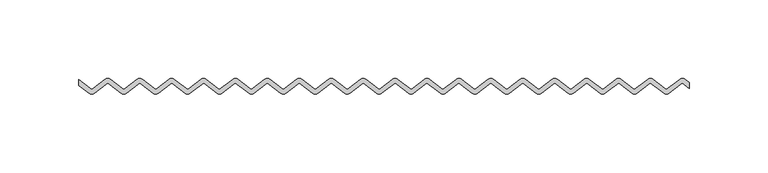
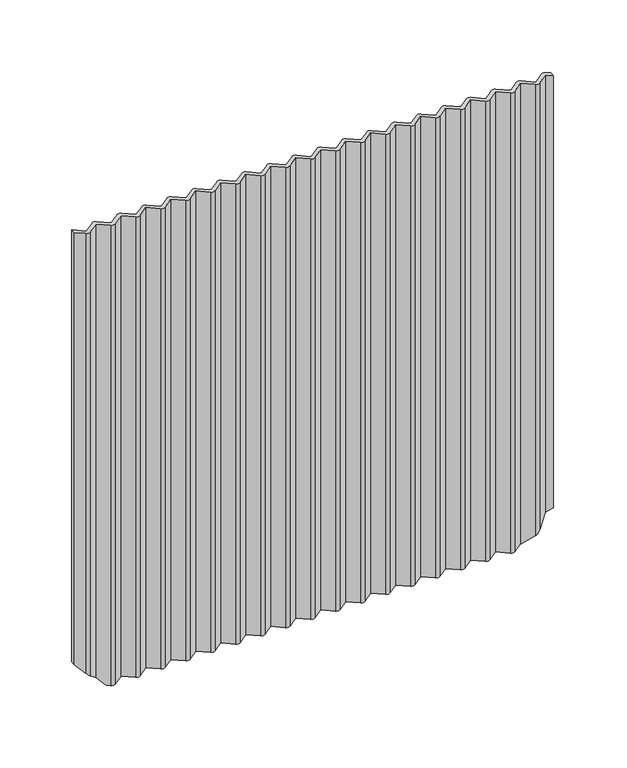
"""IFC4 building model written with IfcOpenShell, lengths in millimetres: furniture geometry."""

from ifc_helpers import new_model, si_unit, frame, origin, place, context, project, spatial, circle_curve, ellipse_curve, source, transform, mapped, element, save
from ifc_brep_helpers import plane_surface, cylinder_surface, advanced_brep


def furniture_6505d52a(model_context):
    return source(origin(), model_context, "Body", "AdvancedBrep", [
        advanced_brep(
        [(263.8845953, 467.9795316, 851.0), (255.5714286, 474.3773818, 851.0), (251.9120478, 474.3773818, 851.0), (243.598881, 467.9795316, 851.0), (235.2857143, 474.3773818, 851.0), (231.6263335, 474.3773818, 851.0), (223.3131668, 467.9795316, 851.0), (215.0, 474.3773818, 851.0), (211.3406192, 474.3773818, 851.0), (203.0274525, 467.9795316, 851.0), (194.7142857, 474.3773818, 851.0), (191.054905, 474.3773818, 851.0), (182.7417382, 467.9795316, 851.0), (174.4285714, 474.3773818, 851.0), (170.7691907, 474.3773818, 851.0), (162.4560239, 467.9795316, 851.0), (154.1428571, 474.3773818, 851.0), (150.4834764, 474.3773818, 851.0), (142.1703096, 467.9795316, 851.0), (133.8571429, 474.3773818, 851.0), (130.1977621, 474.3773818, 851.0), (121.8845953, 467.9795316, 851.0), (113.5714286, 474.3773818, 851.0), (109.9120478, 474.3773818, 851.0), (101.598881, 467.9795316, 851.0), (93.2857143, 474.3773818, 851.0), (89.6263335, 474.3773818, 851.0), (81.3131668, 467.9795316, 851.0), (73.0, 474.3773818, 851.0), (69.3406192, 474.3773818, 851.0), (61.0274525, 467.9795316, 851.0), (52.7142857, 474.3773818, 851.0), (49.054905, 474.3773818, 851.0), (40.7417382, 467.9795316, 851.0), (32.4285714, 474.3773818, 851.0), (28.7691907, 474.3773818, 851.0), (20.4560239, 467.9795316, 851.0), (12.1428571, 474.3773818, 851.0), (8.4834764, 474.3773818, 851.0), (0.1703096, 467.9795316, 851.0), (-8.1428571, 474.3773818, 851.0), (-11.8022379, 474.3773818, 851.0), (-20.1154047, 467.9795316, 851.0), (-28.4285714, 474.3773818, 851.0), (-32.0879522, 474.3773818, 851.0), (-40.401119, 467.9795316, 851.0), (-48.7142857, 474.3773818, 851.0), (-52.3736665, 474.3773818, 851.0), (-60.6868332, 467.9795316, 851.0), (-69.0, 474.3773818, 851.0), (-69.0, 470.5918014, 851.0), (-62.5165236, 465.6020891, 851.0), (-58.8571429, 465.6020891, 851.0), (-50.5439761, 471.9999392, 851.0), (-42.2308093, 465.6020891, 851.0), (-38.5714286, 465.6020891, 851.0), (-30.2582618, 471.9999392, 851.0), (-21.945095, 465.6020891, 851.0), (-18.2857143, 465.6020891, 851.0), (-9.9725475, 471.9999392, 851.0), (-1.6593808, 465.6020891, 851.0), (2.0, 465.6020891, 851.0), (10.3131668, 471.9999392, 851.0), (18.6263335, 465.6020891, 851.0), (22.2857143, 465.6020891, 851.0), (30.598881, 471.9999392, 851.0), (38.9120478, 465.6020891, 851.0), (42.5714286, 465.6020891, 851.0), (50.8845953, 471.9999392, 851.0), (59.1977621, 465.6020891, 851.0), (62.8571429, 465.6020891, 851.0), (71.1703096, 471.9999392, 851.0), (79.4834764, 465.6020891, 851.0), (83.1428571, 465.6020891, 851.0), (91.4560239, 471.9999392, 851.0), (99.7691907, 465.6020891, 851.0), (103.4285714, 465.6020891, 851.0), (111.7417382, 471.9999392, 851.0), (120.054905, 465.6020891, 851.0), (123.7142857, 465.6020891, 851.0), (132.0274525, 471.9999392, 851.0), (140.3406192, 465.6020891, 851.0), (144.0, 465.6020891, 851.0), (152.3131668, 471.9999392, 851.0), (160.6263335, 465.6020891, 851.0), (164.2857143, 465.6020891, 851.0), (172.598881, 471.9999392, 851.0), (180.9120478, 465.6020891, 851.0), (184.5714286, 465.6020891, 851.0), (192.8845953, 471.9999392, 851.0), (201.1977621, 465.6020891, 851.0), (204.8571429, 465.6020891, 851.0), (213.1703096, 471.9999392, 851.0), (221.4834764, 465.6020891, 851.0), (225.1428571, 465.6020891, 851.0), (233.4560239, 471.9999392, 851.0), (241.7691907, 465.6020891, 851.0), (245.4285714, 465.6020891, 851.0), (253.7417382, 471.9999392, 851.0), (262.054905, 465.6020891, 851.0), (265.7142857, 465.6020891, 851.0), (274.0274525, 471.9999392, 851.0), (282.3406192, 465.6020891, 851.0), (286.0, 465.6020891, 851.0), (294.3131668, 471.9999392, 851.0), (302.6263335, 465.6020891, 851.0), (306.2857143, 465.6020891, 851.0), (314.598881, 471.9999392, 851.0), (319.0, 468.6128185, 851.0), (319.0, 472.3983989, 851.0), (316.4285714, 474.3773818, 851.0), (312.7691907, 474.3773818, 851.0), (304.4560239, 467.9795316, 851.0), (296.1428571, 474.3773818, 851.0), (292.4834764, 474.3773818, 851.0), (284.1703096, 467.9795316, 851.0), (275.8571429, 474.3773818, 851.0), (272.1977621, 474.3773818, 851.0), (263.8845953, 467.9795316, 456.0), (272.1977621, 474.3773818, 456.0), (275.8571429, 474.3773818, 456.0), (284.1703096, 467.9795316, 456.0), (292.4834764, 474.3773818, 456.0), (294.7439758, 474.9688454, 456.0), (294.7439758, 471.6683867, 456.0), (294.3131668, 471.9999392, 456.0), (286.0, 465.6020891, 456.0), (282.3406192, 465.6020891, 456.0), (274.0274525, 471.9999392, 456.0), (265.7142857, 465.6020891, 456.0), (262.054905, 465.6020891, 456.0), (253.7417382, 471.9999392, 456.0), (245.4285714, 465.6020891, 456.0), (241.7691907, 465.6020891, 456.0), (233.4560239, 471.9999392, 456.0), (225.1428571, 465.6020891, 456.0), (221.4834764, 465.6020891, 456.0), (213.1703096, 471.9999392, 456.0), (204.8571429, 465.6020891, 456.0), (201.1977621, 465.6020891, 456.0), (192.8845953, 471.9999392, 456.0), (184.5714286, 465.6020891, 456.0), (180.9120478, 465.6020891, 456.0), (172.598881, 471.9999392, 456.0), (164.2857143, 465.6020891, 456.0), (160.6263335, 465.6020891, 456.0), (152.3131668, 471.9999392, 456.0), (144.0, 465.6020891, 456.0), (140.3406192, 465.6020891, 456.0), (132.0274525, 471.9999392, 456.0), (123.7142857, 465.6020891, 456.0), (120.054905, 465.6020891, 456.0), (111.7417382, 471.9999392, 456.0), (103.4285714, 465.6020891, 456.0), (99.7691907, 465.6020891, 456.0), (91.4560239, 471.9999392, 456.0), (83.1428571, 465.6020891, 456.0), (79.4834764, 465.6020891, 456.0), (71.1703096, 471.9999392, 456.0), (62.8571429, 465.6020891, 456.0), (59.1977621, 465.6020891, 456.0), (50.8845953, 471.9999392, 456.0), (42.5714286, 465.6020891, 456.0), (38.9120478, 465.6020891, 456.0), (30.598881, 471.9999392, 456.0), (22.2857143, 465.6020891, 456.0), (18.6263335, 465.6020891, 456.0), (10.3131668, 471.9999392, 456.0), (2.0, 465.6020891, 456.0), (-1.6593808, 465.6020891, 456.0), (-9.9725475, 471.9999392, 456.0), (-18.2857143, 465.6020891, 456.0), (-21.945095, 465.6020891, 456.0), (-30.2582618, 471.9999392, 456.0), (-38.5714286, 465.6020891, 456.0), (-42.2308093, 465.6020891, 456.0), (-44.7439758, 467.5362332, 456.0), (-44.7439758, 471.3218136, 456.0), (-40.401119, 467.9795316, 456.0), (-32.0879522, 474.3773818, 456.0), (-28.4285714, 474.3773818, 456.0), (-20.1154047, 467.9795316, 456.0), (-11.8022379, 474.3773818, 456.0), (-8.1428571, 474.3773818, 456.0), (0.1703096, 467.9795316, 456.0), (8.4834764, 474.3773818, 456.0), (12.1428571, 474.3773818, 456.0), (20.4560239, 467.9795316, 456.0), (28.7691907, 474.3773818, 456.0), (32.4285714, 474.3773818, 456.0), (40.7417382, 467.9795316, 456.0), (49.054905, 474.3773818, 456.0), (52.7142857, 474.3773818, 456.0), (61.0274525, 467.9795316, 456.0), (69.3406192, 474.3773818, 456.0), (73.0, 474.3773818, 456.0), (81.3131668, 467.9795316, 456.0), (89.6263335, 474.3773818, 456.0), (93.2857143, 474.3773818, 456.0), (101.598881, 467.9795316, 456.0), (109.9120478, 474.3773818, 456.0), (113.5714286, 474.3773818, 456.0), (121.8845953, 467.9795316, 456.0), (130.1977621, 474.3773818, 456.0), (133.8571429, 474.3773818, 456.0), (142.1703096, 467.9795316, 456.0), (150.4834764, 474.3773818, 456.0), (154.1428571, 474.3773818, 456.0), (162.4560239, 467.9795316, 456.0), (170.7691907, 474.3773818, 456.0), (174.4285714, 474.3773818, 456.0), (182.7417382, 467.9795316, 456.0), (191.054905, 474.3773818, 456.0), (194.7142857, 474.3773818, 456.0), (203.0274525, 467.9795316, 456.0), (211.3406192, 474.3773818, 456.0), (215.0, 474.3773818, 456.0), (223.3131668, 467.9795316, 456.0), (231.6263335, 474.3773818, 456.0), (235.2857143, 474.3773818, 456.0), (243.598881, 467.9795316, 456.0), (251.9120478, 474.3773818, 456.0), (255.5714286, 474.3773818, 456.0), (-48.7142857, 474.3773818, 459.9703099), (-52.3736665, 474.3773818, 463.6296906), (-60.6868332, 467.9795316, 471.9428574), (-69.0, 474.3773818, 480.2560242), (-69.0, 470.5918014, 480.2560242), (-62.5165236, 465.6020891, 473.7725478), (-58.8571429, 465.6020891, 470.113167), (-50.5439761, 471.9999392, 461.8000002), (302.6263335, 465.6020891, 463.8823577), (306.2857143, 465.6020891, 467.5417384), (314.598881, 471.9999392, 475.8549052), (319.0, 468.6128185, 480.2560242), (319.0, 472.3983989, 480.2560242), (316.4285714, 474.3773818, 477.6845956), (312.7691907, 474.3773818, 474.0252148), (304.4560239, 467.9795316, 465.7120481), (296.1428571, 474.3773818, 457.3988813)],
        [
            (0, 1),
            (1, 2, circle_curve(frame((253.7417382, 471.9999392, 851.0), z_axis=(0.0, 0.0, 1.0), x_axis=(0.6098967931275269, 0.792480852596931, 0.0)), 3.0)),
            (2, 3),
            (3, 4),
            (4, 5, circle_curve(frame((233.4560239, 471.9999392, 851.0), z_axis=(0.0, 0.0, 1.0), x_axis=(0.6098967931271002, 0.7924808525972594, 0.0)), 3.0)),
            (5, 6),
            (6, 7),
            (7, 8, circle_curve(frame((213.1703096, 471.9999392, 851.0), z_axis=(0.0, 0.0, 1.0), x_axis=(0.609896793131774, 0.7924808525936625, 0.0)), 3.0)),
            (8, 9),
            (9, 10),
            (10, 11, circle_curve(frame((192.8845953, 471.9999392, 851.0), z_axis=(0.0, 0.0, 1.0), x_axis=(0.6098967931273869, 0.7924808525970387, 0.0)), 3.0)),
            (11, 12),
            (12, 13),
            (13, 14, circle_curve(frame((172.598881, 471.9999392, 851.0), z_axis=(0.0, 0.0, 1.0), x_axis=(0.6098967931260534, 0.792480852598065, 0.0)), 3.0)),
            (14, 15),
            (15, 16),
            (16, 17, circle_curve(frame((152.3131668, 471.9999392, 851.0), z_axis=(0.0, 0.0, 1.0), x_axis=(0.6098967931275447, 0.7924808525969174, 0.0)), 3.0)),
            (17, 18),
            (18, 19),
            (19, 20, circle_curve(frame((132.0274525, 471.9999392, 851.0), z_axis=(0.0, 0.0, 1.0), x_axis=(0.6098967931238376, 0.7924808525997703, 0.0)), 3.0)),
            (20, 21),
            (21, 22),
            (22, 23, circle_curve(frame((111.7417382, 471.9999392, 851.0), z_axis=(0.0, 0.0, 1.0), x_axis=(0.6098967931272047, 0.792480852597179, 0.0)), 3.0)),
            (23, 24),
            (24, 25),
            (25, 26, circle_curve(frame((91.4560239, 471.9999392, 851.0), z_axis=(0.0, 0.0, 1.0), x_axis=(0.6098967931268646, 0.7924808525974407, 0.0)), 3.0)),
            (26, 27),
            (27, 28),
            (28, 29, circle_curve(frame((71.1703096, 471.9999392, 851.0), z_axis=(0.0, 0.0, 1.0), x_axis=(0.6098967931260534, 0.792480852598065, 0.0)), 3.0)),
            (29, 30),
            (30, 31),
            (31, 32, circle_curve(frame((50.8845953, 471.9999392, 851.0), z_axis=(0.0, 0.0, 1.0), x_axis=(0.6098967931250422, 0.7924808525988433, 0.0)), 3.0)),
            (32, 33),
            (33, 34),
            (34, 35, circle_curve(frame((30.598881, 471.9999392, 851.0), z_axis=(0.0, 0.0, 1.0), x_axis=(0.6098967931278669, 0.7924808525966693, 0.0)), 3.0)),
            (35, 36),
            (36, 37),
            (37, 38, circle_curve(frame((10.3131668, 471.9999392, 851.0), z_axis=(0.0, 0.0, 1.0), x_axis=(0.6098967931282248, 0.7924808525963939, 0.0)), 3.0)),
            (38, 39),
            (39, 40),
            (40, 41, circle_curve(frame((-9.9725475, 471.9999392, 851.0), z_axis=(0.0, 0.0, 1.0), x_axis=(0.6098967931274313, 0.7924808525970045, 0.0)), 3.0)),
            (41, 42),
            (42, 43),
            (43, 44, circle_curve(frame((-30.2582618, 471.9999392, 851.0), z_axis=(0.0, 0.0, 1.0), x_axis=(0.6098967931313117, 0.7924808525940182, 0.0)), 3.0)),
            (44, 45),
            (45, 46),
            (46, 47, circle_curve(frame((-50.5439761, 471.9999392, 851.0), z_axis=(0.0, 0.0, 1.0), x_axis=(0.6098967931289225, 0.7924808525958569, 0.0)), 3.0)),
            (47, 48),
            (48, 49),
            (49, 50),
            (50, 51),
            (51, 52, circle_curve(frame((-60.6868332, 467.9795316, 851.0), z_axis=(0.0, 0.0, 1.0), x_axis=(-0.6098967931289138, -0.7924808525958638, 0.0)), 3.0)),
            (52, 53),
            (53, 54),
            (54, 55, circle_curve(frame((-40.401119, 467.9795316, 851.0), z_axis=(0.0, 0.0, 1.0), x_axis=(-0.6098967931275269, -0.792480852596931, 0.0)), 3.0)),
            (55, 56),
            (56, 57),
            (57, 58, circle_curve(frame((-20.1154047, 467.9795316, 851.0), z_axis=(0.0, 0.0, 1.0), x_axis=(-0.6098967931289225, -0.7924808525958569, 0.0)), 3.0)),
            (58, 59),
            (59, 60),
            (60, 61, circle_curve(frame((0.1703096, 467.9795316, 851.0), z_axis=(0.0, 0.0, 1.0), x_axis=(-0.6098967931269691, -0.7924808525973603, 0.0)), 3.0)),
            (61, 62),
            (62, 63),
            (63, 64, circle_curve(frame((20.4560239, 467.9795316, 851.0), z_axis=(0.0, 0.0, 1.0), x_axis=(-0.6098967931279025, -0.7924808525966419, 0.0)), 3.0)),
            (64, 65),
            (65, 66),
            (66, 67, circle_curve(frame((40.7417382, 467.9795316, 851.0), z_axis=(0.0, 0.0, 1.0), x_axis=(-0.6098967931282336, -0.7924808525963871, 0.0)), 3.0)),
            (67, 68),
            (68, 69),
            (69, 70, circle_curve(frame((61.0274525, 467.9795316, 851.0), z_axis=(0.0, 0.0, 1.0), x_axis=(-0.609896793128687, -0.7924808525960382, 0.0)), 3.0)),
            (70, 71),
            (71, 72),
            (72, 73, circle_curve(frame((81.3131668, 467.9795316, 851.0), z_axis=(0.0, 0.0, 1.0), x_axis=(-0.6098967931271602, -0.7924808525972132, 0.0)), 3.0)),
            (73, 74),
            (74, 75),
            (75, 76, circle_curve(frame((101.598881, 467.9795316, 851.0), z_axis=(0.0, 0.0, 1.0), x_axis=(-0.6098967931271869, -0.7924808525971927, 0.0)), 3.0)),
            (76, 77),
            (77, 78),
            (78, 79, circle_curve(frame((121.8845953, 467.9795316, 851.0), z_axis=(0.0, 0.0, 1.0), x_axis=(-0.6098967931264979, -0.7924808525977229, 0.0)), 3.0)),
            (79, 80),
            (80, 81),
            (81, 82, circle_curve(frame((142.1703096, 467.9795316, 851.0), z_axis=(0.0, 0.0, 1.0), x_axis=(-0.6098967931273003, -0.7924808525971055, 0.0)), 3.0)),
            (82, 83),
            (83, 84),
            (84, 85, circle_curve(frame((162.4560239, 467.9795316, 851.0), z_axis=(0.0, 0.0, 1.0), x_axis=(-0.6098967931272224, -0.7924808525971654, 0.0)), 3.0)),
            (85, 86),
            (86, 87),
            (87, 88, circle_curve(frame((182.7417382, 467.9795316, 851.0), z_axis=(0.0, 0.0, 1.0), x_axis=(-0.6098967931289048, -0.7924808525958705, 0.0)), 3.0)),
            (88, 89),
            (89, 90),
            (90, 91, circle_curve(frame((203.0274525, 467.9795316, 851.0), z_axis=(0.0, 0.0, 1.0), x_axis=(-0.6098967931277713, -0.7924808525967428, 0.0)), 3.0)),
            (91, 92),
            (92, 93),
            (93, 94, circle_curve(frame((223.3131668, 467.9795316, 851.0), z_axis=(0.0, 0.0, 1.0), x_axis=(-0.6098967931293672, -0.7924808525955148, 0.0)), 3.0)),
            (94, 95),
            (95, 96),
            (96, 97, circle_curve(frame((243.598881, 467.9795316, 851.0), z_axis=(0.0, 0.0, 1.0), x_axis=(-0.609896793129027, -0.7924808525957765, 0.0)), 3.0)),
            (97, 98),
            (98, 99),
            (99, 100, circle_curve(frame((263.8845953, 467.9795316, 851.0), z_axis=(0.0, 0.0, 1.0), x_axis=(-0.6098967931270736, -0.79248085259728, 0.0)), 3.0)),
            (100, 101),
            (101, 102),
            (102, 103, circle_curve(frame((284.1703096, 467.9795316, 851.0), z_axis=(0.0, 0.0, 1.0), x_axis=(-0.6098967931290449, -0.7924808525957628, 0.0)), 3.0)),
            (103, 104),
            (104, 105),
            (105, 106, circle_curve(frame((304.4560239, 467.9795316, 851.0), z_axis=(0.0, 0.0, 1.0), x_axis=(-0.6098967931270736, -0.79248085259728, 0.0)), 3.0)),
            (106, 107),
            (107, 108),
            (108, 109),
            (109, 110),
            (110, 111, circle_curve(frame((314.598881, 471.9999392, 851.0), z_axis=(0.0, 0.0, 1.0), x_axis=(0.6098967931257134, 0.7924808525983267, 0.0)), 3.0)),
            (111, 112),
            (112, 113),
            (113, 114, circle_curve(frame((294.3131668, 471.9999392, 851.0), z_axis=(0.0, 0.0, 1.0), x_axis=(0.6098967931275269, 0.792480852596931, 0.0)), 3.0)),
            (114, 115),
            (115, 116),
            (116, 117, circle_curve(frame((274.0274525, 471.9999392, 851.0), z_axis=(0.0, 0.0, 1.0), x_axis=(0.6098967931257134, 0.7924808525983267, 0.0)), 3.0)),
            (117, 0),
            (118, 119),
            (119, 120, circle_curve(frame((274.0274525, 471.9999392, 456.0), z_axis=(0.0, 0.0, -1.0), x_axis=(0.6098967931257134, 0.7924808525983267, 0.0)), 3.0)),
            (120, 121),
            (121, 122),
            (122, 123, circle_curve(frame((294.3131668, 471.9999392, 456.0), z_axis=(0.0, 0.0, -1.0), x_axis=(0.6098967931275269, 0.792480852596931, 0.0)), 3.0)),
            (123, 124),
            (124, 125),
            (125, 126),
            (126, 127, circle_curve(frame((284.1703096, 467.9795316, 456.0), z_axis=(0.0, 0.0, -1.0), x_axis=(-0.6098967931290449, -0.7924808525957628, 0.0)), 3.0)),
            (127, 128),
            (128, 129),
            (129, 130, circle_curve(frame((263.8845953, 467.9795316, 456.0), z_axis=(0.0, 0.0, -1.0), x_axis=(-0.6098967931270736, -0.79248085259728, 0.0)), 3.0)),
            (130, 131),
            (131, 132),
            (132, 133, circle_curve(frame((243.598881, 467.9795316, 456.0), z_axis=(0.0, 0.0, -1.0), x_axis=(-0.609896793129027, -0.7924808525957765, 0.0)), 3.0)),
            (133, 134),
            (134, 135),
            (135, 136, circle_curve(frame((223.3131668, 467.9795316, 456.0), z_axis=(0.0, 0.0, -1.0), x_axis=(-0.6098967931293672, -0.7924808525955148, 0.0)), 3.0)),
            (136, 137),
            (137, 138),
            (138, 139, circle_curve(frame((203.0274525, 467.9795316, 456.0), z_axis=(0.0, 0.0, -1.0), x_axis=(-0.6098967931277713, -0.7924808525967428, 0.0)), 3.0)),
            (139, 140),
            (140, 141),
            (141, 142, circle_curve(frame((182.7417382, 467.9795316, 456.0), z_axis=(0.0, 0.0, -1.0), x_axis=(-0.6098967931289048, -0.7924808525958705, 0.0)), 3.0)),
            (142, 143),
            (143, 144),
            (144, 145, circle_curve(frame((162.4560239, 467.9795316, 456.0), z_axis=(0.0, 0.0, -1.0), x_axis=(-0.6098967931272224, -0.7924808525971654, 0.0)), 3.0)),
            (145, 146),
            (146, 147),
            (147, 148, circle_curve(frame((142.1703096, 467.9795316, 456.0), z_axis=(0.0, 0.0, -1.0), x_axis=(-0.6098967931273003, -0.7924808525971055, 0.0)), 3.0)),
            (148, 149),
            (149, 150),
            (150, 151, circle_curve(frame((121.8845953, 467.9795316, 456.0), z_axis=(0.0, 0.0, -1.0), x_axis=(-0.6098967931264979, -0.7924808525977229, 0.0)), 3.0)),
            (151, 152),
            (152, 153),
            (153, 154, circle_curve(frame((101.598881, 467.9795316, 456.0), z_axis=(0.0, 0.0, -1.0), x_axis=(-0.6098967931271869, -0.7924808525971927, 0.0)), 3.0)),
            (154, 155),
            (155, 156),
            (156, 157, circle_curve(frame((81.3131668, 467.9795316, 456.0), z_axis=(0.0, 0.0, -1.0), x_axis=(-0.6098967931271602, -0.7924808525972132, 0.0)), 3.0)),
            (157, 158),
            (158, 159),
            (159, 160, circle_curve(frame((61.0274525, 467.9795316, 456.0), z_axis=(0.0, 0.0, -1.0), x_axis=(-0.609896793128687, -0.7924808525960382, 0.0)), 3.0)),
            (160, 161),
            (161, 162),
            (162, 163, circle_curve(frame((40.7417382, 467.9795316, 456.0), z_axis=(0.0, 0.0, -1.0), x_axis=(-0.6098967931282336, -0.7924808525963871, 0.0)), 3.0)),
            (163, 164),
            (164, 165),
            (165, 166, circle_curve(frame((20.4560239, 467.9795316, 456.0), z_axis=(0.0, 0.0, -1.0), x_axis=(-0.6098967931279025, -0.7924808525966419, 0.0)), 3.0)),
            (166, 167),
            (167, 168),
            (168, 169, circle_curve(frame((0.1703096, 467.9795316, 456.0), z_axis=(0.0, 0.0, -1.0), x_axis=(-0.6098967931269691, -0.7924808525973603, 0.0)), 3.0)),
            (169, 170),
            (170, 171),
            (171, 172, circle_curve(frame((-20.1154047, 467.9795316, 456.0), z_axis=(0.0, 0.0, -1.0), x_axis=(-0.6098967931289225, -0.7924808525958569, 0.0)), 3.0)),
            (172, 173),
            (173, 174),
            (174, 175, circle_curve(frame((-40.401119, 467.9795316, 456.0), z_axis=(0.0, 0.0, -1.0), x_axis=(-0.6098967931275269, -0.792480852596931, 0.0)), 3.0)),
            (175, 176),
            (176, 177),
            (177, 178),
            (178, 179),
            (179, 180, circle_curve(frame((-30.2582618, 471.9999392, 456.0), z_axis=(0.0, 0.0, -1.0), x_axis=(0.6098967931313117, 0.7924808525940182, 0.0)), 3.0)),
            (180, 181),
            (181, 182),
            (182, 183, circle_curve(frame((-9.9725475, 471.9999392, 456.0), z_axis=(0.0, 0.0, -1.0), x_axis=(0.6098967931274313, 0.7924808525970045, 0.0)), 3.0)),
            (183, 184),
            (184, 185),
            (185, 186, circle_curve(frame((10.3131668, 471.9999392, 456.0), z_axis=(0.0, 0.0, -1.0), x_axis=(0.6098967931282248, 0.7924808525963939, 0.0)), 3.0)),
            (186, 187),
            (187, 188),
            (188, 189, circle_curve(frame((30.598881, 471.9999392, 456.0), z_axis=(0.0, 0.0, -1.0), x_axis=(0.6098967931278669, 0.7924808525966693, 0.0)), 3.0)),
            (189, 190),
            (190, 191),
            (191, 192, circle_curve(frame((50.8845953, 471.9999392, 456.0), z_axis=(0.0, 0.0, -1.0), x_axis=(0.6098967931250422, 0.7924808525988433, 0.0)), 3.0)),
            (192, 193),
            (193, 194),
            (194, 195, circle_curve(frame((71.1703096, 471.9999392, 456.0), z_axis=(0.0, 0.0, -1.0), x_axis=(0.6098967931260534, 0.792480852598065, 0.0)), 3.0)),
            (195, 196),
            (196, 197),
            (197, 198, circle_curve(frame((91.4560239, 471.9999392, 456.0), z_axis=(0.0, 0.0, -1.0), x_axis=(0.6098967931268646, 0.7924808525974407, 0.0)), 3.0)),
            (198, 199),
            (199, 200),
            (200, 201, circle_curve(frame((111.7417382, 471.9999392, 456.0), z_axis=(0.0, 0.0, -1.0), x_axis=(0.6098967931272047, 0.792480852597179, 0.0)), 3.0)),
            (201, 202),
            (202, 203),
            (203, 204, circle_curve(frame((132.0274525, 471.9999392, 456.0), z_axis=(0.0, 0.0, -1.0), x_axis=(0.6098967931238376, 0.7924808525997703, 0.0)), 3.0)),
            (204, 205),
            (205, 206),
            (206, 207, circle_curve(frame((152.3131668, 471.9999392, 456.0), z_axis=(0.0, 0.0, -1.0), x_axis=(0.6098967931275447, 0.7924808525969174, 0.0)), 3.0)),
            (207, 208),
            (208, 209),
            (209, 210, circle_curve(frame((172.598881, 471.9999392, 456.0), z_axis=(0.0, 0.0, -1.0), x_axis=(0.6098967931260534, 0.792480852598065, 0.0)), 3.0)),
            (210, 211),
            (211, 212),
            (212, 213, circle_curve(frame((192.8845953, 471.9999392, 456.0), z_axis=(0.0, 0.0, -1.0), x_axis=(0.6098967931273869, 0.7924808525970387, 0.0)), 3.0)),
            (213, 214),
            (214, 215),
            (215, 216, circle_curve(frame((213.1703096, 471.9999392, 456.0), z_axis=(0.0, 0.0, -1.0), x_axis=(0.609896793131774, 0.7924808525936625, 0.0)), 3.0)),
            (216, 217),
            (217, 218),
            (218, 219, circle_curve(frame((233.4560239, 471.9999392, 456.0), z_axis=(0.0, 0.0, -1.0), x_axis=(0.6098967931271002, 0.7924808525972594, 0.0)), 3.0)),
            (219, 220),
            (220, 221),
            (221, 222, circle_curve(frame((253.7417382, 471.9999392, 456.0), z_axis=(0.0, 0.0, -1.0), x_axis=(0.6098967931275269, 0.792480852596931, 0.0)), 3.0)),
            (222, 118),
            (0, 118),
            (222, 1),
            (221, 2),
            (220, 3),
            (219, 4),
            (218, 5),
            (217, 6),
            (216, 7),
            (215, 8),
            (214, 9),
            (213, 10),
            (212, 11),
            (211, 12),
            (210, 13),
            (209, 14),
            (208, 15),
            (207, 16),
            (206, 17),
            (205, 18),
            (204, 19),
            (203, 20),
            (202, 21),
            (201, 22),
            (200, 23),
            (199, 24),
            (198, 25),
            (197, 26),
            (196, 27),
            (195, 28),
            (194, 29),
            (193, 30),
            (192, 31),
            (191, 32),
            (190, 33),
            (189, 34),
            (188, 35),
            (187, 36),
            (186, 37),
            (185, 38),
            (184, 39),
            (183, 40),
            (182, 41),
            (181, 42),
            (180, 43),
            (179, 44),
            (178, 45),
            (177, 223),
            (223, 46),
            (223, 224, ellipse_curve(frame((-50.5439761, 471.9999392, 461.8000002), z_axis=(0.707106781186549, 0.0, 0.7071067811865461), x_axis=(-0.7071067811865461, 0.0, 0.7071067811865488)), 4.2426407, 3.0)),
            (224, 47),
            (224, 225),
            (225, 48),
            (225, 226),
            (226, 49),
            (50, 227),
            (227, 228),
            (228, 51),
            (228, 229, ellipse_curve(frame((-60.6868332, 467.9795316, 471.9428574), z_axis=(0.707106781186549, 0.0, 0.7071067811865461), x_axis=(-0.7071067811865461, 0.0, 0.7071067811865488)), 4.2426407, 3.0)),
            (229, 52),
            (229, 230),
            (230, 53),
            (230, 176),
            (175, 54),
            (174, 55),
            (173, 56),
            (172, 57),
            (171, 58),
            (170, 59),
            (169, 60),
            (168, 61),
            (167, 62),
            (166, 63),
            (165, 64),
            (164, 65),
            (163, 66),
            (162, 67),
            (161, 68),
            (160, 69),
            (159, 70),
            (158, 71),
            (157, 72),
            (156, 73),
            (155, 74),
            (154, 75),
            (153, 76),
            (152, 77),
            (151, 78),
            (150, 79),
            (149, 80),
            (148, 81),
            (147, 82),
            (146, 83),
            (145, 84),
            (144, 85),
            (143, 86),
            (142, 87),
            (141, 88),
            (140, 89),
            (139, 90),
            (138, 91),
            (137, 92),
            (136, 93),
            (135, 94),
            (134, 95),
            (133, 96),
            (132, 97),
            (131, 98),
            (130, 99),
            (129, 100),
            (128, 101),
            (127, 102),
            (126, 103),
            (125, 104),
            (114, 122),
            (121, 115),
            (120, 116),
            (119, 117),
            (226, 227),
            (124, 231),
            (231, 105),
            (231, 232, ellipse_curve(frame((304.4560239, 467.9795316, 465.7120481), z_axis=(-0.707106781186549, 0.0, 0.7071067811865461), x_axis=(0.7071067811865461, 0.0, 0.7071067811865488)), 4.2426407, 3.0)),
            (232, 106),
            (232, 233),
            (233, 107),
            (233, 234),
            (234, 108),
            (234, 235),
            (235, 109),
            (235, 236),
            (236, 110),
            (236, 237, ellipse_curve(frame((314.598881, 471.9999392, 475.8549052), z_axis=(-0.707106781186549, 0.0, 0.7071067811865461), x_axis=(0.7071067811865461, 0.0, 0.7071067811865488)), 4.2426407, 3.0)),
            (237, 111),
            (237, 238),
            (238, 112),
            (238, 239),
            (239, 113),
            (239, 123, ellipse_curve(frame((294.3131668, 471.9999392, 455.5691909), z_axis=(-0.707106781186549, 0.0, 0.7071067811865461), x_axis=(0.7071067811865461, 0.0, 0.7071067811865488)), 4.2426407, 3.0)),
        ],
        [
            plane_surface(frame((263.8845953, 467.9795316, 851.0), z_axis=(0.0, 0.0, 1.0), x_axis=(-0.7924808525968435, 0.6098967931276406, 0.0))),
            plane_surface(frame((263.8845953, 467.9795316, 456.0), z_axis=(0.0, 0.0, -1.0), x_axis=(0.7924808525968435, -0.6098967931276406, 0.0))),
            plane_surface(frame((263.8845953, 467.9795316, 851.0), z_axis=(0.6098967931276406, 0.7924808525968435, 0.0), x_axis=(0.0, 0.0, -1.0))),
            cylinder_surface(frame((253.7417382, 471.9999392, 456.0), z_axis=(0.0, 0.0, 1.0), x_axis=(0.6098967931275269, 0.792480852596931, 0.0)), 3.0),
            plane_surface(frame((251.9120478, 474.3773818, 851.0), z_axis=(-0.6098967931277176, 0.7924808525967844, 0.0), x_axis=(0.0, 0.0, -1.0))),
            plane_surface(frame((243.598881, 467.9795316, 851.0), z_axis=(0.609896793127839, 0.792480852596691, 0.0), x_axis=(0.0, 0.0, -1.0))),
            cylinder_surface(frame((233.4560239, 471.9999392, 456.0), z_axis=(0.0, 0.0, 1.0), x_axis=(0.6098967931271002, 0.7924808525972594, 0.0)), 3.0),
            plane_surface(frame((231.6263335, 474.3773818, 851.0), z_axis=(-0.6098967931275101, 0.792480852596944, 0.0), x_axis=(0.0, 0.0, -1.0))),
            plane_surface(frame((223.3131668, 467.9795316, 851.0), z_axis=(0.6098967931277907, 0.7924808525967281, 0.0), x_axis=(0.0, 0.0, -1.0))),
            cylinder_surface(frame((213.1703096, 471.9999392, 456.0), z_axis=(0.0, 0.0, 1.0000000000000002), x_axis=(0.609896793131774, 0.7924808525936625, 0.0)), 3.0),
            plane_surface(frame((211.3406192, 474.3773818, 851.0), z_axis=(-0.6098967931281182, 0.792480852596476, 0.0), x_axis=(0.0, 0.0, -1.0))),
            plane_surface(frame((203.0274525, 467.9795316, 851.0), z_axis=(0.6098967931278451, 0.7924808525966861, 0.0), x_axis=(0.0, 0.0, -1.0))),
            cylinder_surface(frame((192.8845953, 471.9999392, 456.0), z_axis=(0.0, 0.0, 1.0), x_axis=(0.6098967931273869, 0.7924808525970387, 0.0)), 3.0),
            plane_surface(frame((191.054905, 474.3773818, 851.0), z_axis=(-0.6098967931282218, 0.7924808525963963, 0.0), x_axis=(0.0, 0.0, -1.0))),
            plane_surface(frame((182.7417382, 467.9795316, 851.0), z_axis=(0.6098967931278645, 0.7924808525966712, 0.0), x_axis=(0.0, 0.0, -1.0))),
            cylinder_surface(frame((172.598881, 471.9999392, 456.0), z_axis=(0.0, 0.0, 1.0), x_axis=(0.6098967931260534, 0.792480852598065, 0.0)), 3.0),
            plane_surface(frame((170.7691907, 474.3773818, 851.0), z_axis=(-0.6098967931274215, 0.7924808525970121, 0.0), x_axis=(0.0, 0.0, -1.0))),
            plane_surface(frame((162.4560239, 467.9795316, 851.0), z_axis=(0.6098967931276156, 0.7924808525968627, 0.0), x_axis=(0.0, 0.0, -1.0))),
            cylinder_surface(frame((152.3131668, 471.9999392, 456.0), z_axis=(0.0, 0.0, 1.0000000000000002), x_axis=(0.6098967931275447, 0.7924808525969174, 0.0)), 3.0),
            plane_surface(frame((150.4834764, 474.3773818, 851.0), z_axis=(-0.6098967931282905, 0.7924808525963434, 0.0), x_axis=(0.0, 0.0, -1.0))),
            plane_surface(frame((142.1703096, 467.9795316, 851.0), z_axis=(0.609896793127735, 0.7924808525967709, 0.0), x_axis=(0.0, 0.0, -1.0))),
            cylinder_surface(frame((132.0274525, 471.9999392, 456.0), z_axis=(0.0, 0.0, 1.0), x_axis=(0.6098967931238376, 0.7924808525997703, 0.0)), 3.0),
            plane_surface(frame((130.1977621, 474.3773818, 851.0), z_axis=(-0.6098967931280088, 0.7924808525965602, 0.0), x_axis=(0.0, 0.0, -1.0))),
            plane_surface(frame((121.8845953, 467.9795316, 851.0), z_axis=(0.6098967931279655, 0.7924808525965934, 0.0), x_axis=(0.0, 0.0, -1.0))),
            cylinder_surface(frame((111.7417382, 471.9999392, 456.0), z_axis=(0.0, 0.0, 1.0), x_axis=(0.6098967931272047, 0.792480852597179, 0.0)), 3.0),
            plane_surface(frame((109.9120478, 474.3773818, 851.0), z_axis=(-0.6098967931273279, 0.7924808525970841, 0.0), x_axis=(0.0, 0.0, -1.0))),
            plane_surface(frame((101.598881, 467.9795316, 851.0), z_axis=(0.6098967931274754, 0.7924808525969707, 0.0), x_axis=(0.0, 0.0, -1.0))),
            cylinder_surface(frame((91.4560239, 471.9999392, 456.0), z_axis=(0.0, 0.0, 1.0), x_axis=(0.6098967931268646, 0.7924808525974407, 0.0)), 3.0),
            plane_surface(frame((89.6263335, 474.3773818, 851.0), z_axis=(-0.6098967931273034, 0.7924808525971031, 0.0), x_axis=(0.0, 0.0, -1.0))),
            plane_surface(frame((81.3131668, 467.9795316, 851.0), z_axis=(0.6098967931280598, 0.792480852596521, 0.0), x_axis=(0.0, 0.0, -1.0))),
            cylinder_surface(frame((71.1703096, 471.9999392, 456.0), z_axis=(0.0, 0.0, 1.0), x_axis=(0.6098967931260534, 0.792480852598065, 0.0)), 3.0),
            plane_surface(frame((69.3406192, 474.3773818, 851.0), z_axis=(-0.6098967931273733, 0.7924808525970493, 0.0), x_axis=(0.0, 0.0, -1.0))),
            plane_surface(frame((61.0274525, 467.9795316, 851.0), z_axis=(0.6098967931277193, 0.7924808525967829, 0.0), x_axis=(0.0, 0.0, -1.0))),
            cylinder_surface(frame((50.8845953, 471.9999392, 456.0), z_axis=(0.0, 0.0, 1.0), x_axis=(0.6098967931250422, 0.7924808525988433, 0.0)), 3.0),
            plane_surface(frame((49.054905, 474.3773818, 851.0), z_axis=(-0.60989679312715, 0.7924808525972212, 0.0), x_axis=(0.0, 0.0, -1.0))),
            plane_surface(frame((40.7417382, 467.9795316, 851.0), z_axis=(0.6098967931277448, 0.7924808525967634, 0.0), x_axis=(0.0, 0.0, -1.0))),
            cylinder_surface(frame((30.598881, 471.9999392, 456.0), z_axis=(0.0, 0.0, 1.0), x_axis=(0.6098967931278669, 0.7924808525966693, 0.0)), 3.0),
            plane_surface(frame((28.7691907, 474.3773818, 851.0), z_axis=(-0.6098967931276099, 0.7924808525968671, 0.0), x_axis=(0.0, 0.0, -1.0))),
            plane_surface(frame((20.4560239, 467.9795316, 851.0), z_axis=(0.6098967931276805, 0.7924808525968129, 0.0), x_axis=(0.0, 0.0, -1.0))),
            cylinder_surface(frame((10.3131668, 471.9999392, 456.0), z_axis=(0.0, 0.0, 1.0), x_axis=(0.6098967931282248, 0.7924808525963939, 0.0)), 3.0),
            plane_surface(frame((8.4834764, 474.3773818, 851.0), z_axis=(-0.6098967931281501, 0.7924808525964514, 0.0), x_axis=(0.0, 0.0, -1.0))),
            plane_surface(frame((0.1703096, 467.9795316, 851.0), z_axis=(0.6098967931277007, 0.7924808525967972, 0.0), x_axis=(0.0, 0.0, -1.0))),
            cylinder_surface(frame((-9.9725475, 471.9999392, 456.0), z_axis=(0.0, 0.0, 1.0), x_axis=(0.6098967931274313, 0.7924808525970045, 0.0)), 3.0),
            plane_surface(frame((-11.8022379, 474.3773818, 851.0), z_axis=(-0.6098967931275605, 0.7924808525969053, 0.0), x_axis=(0.0, 0.0, -1.0))),
            plane_surface(frame((-20.1154047, 467.9795316, 851.0), z_axis=(0.6098967931278909, 0.7924808525966509, 0.0), x_axis=(0.0, 0.0, -1.0))),
            cylinder_surface(frame((-30.2582618, 471.9999392, 456.0), z_axis=(0.0, 0.0, 1.0), x_axis=(0.6098967931313117, 0.7924808525940182, 0.0)), 3.0),
            plane_surface(frame((-32.0879522, 474.3773818, 851.0), z_axis=(-0.6098967931278995, 0.7924808525966444, 0.0), x_axis=(0.0, 0.0, -1.0))),
            plane_surface(frame((-40.401119, 467.9795316, 851.0), z_axis=(0.6098967931279561, 0.7924808525966007, 0.0), x_axis=(0.0, 0.0, -1.0))),
            cylinder_surface(frame((-50.5439761, 471.9999392, 456.0), z_axis=(0.0, 0.0, 1.0), x_axis=(0.6098967931289225, 0.7924808525958569, 0.0)), 3.0),
            plane_surface(frame((-52.3736665, 474.3773818, 851.0), z_axis=(-0.609896793127528, 0.7924808525969302, 0.0), x_axis=(0.0, 0.0, -1.0))),
            plane_surface(frame((-60.6868332, 467.9795316, 851.0), z_axis=(0.6098967931278807, 0.7924808525966588, 0.0), x_axis=(0.0, 0.0, -1.0))),
            plane_surface(frame((-69.0, 470.5918014, 851.0), z_axis=(-0.609896793127512, -0.7924808525969425, 0.0), x_axis=(0.0, 0.0, -1.0))),
            cylinder_surface(frame((-60.6868332, 467.9795316, 456.0), z_axis=(0.0, 0.0, 1.0000000000000002), x_axis=(-0.6098967931289138, -0.7924808525958638, 0.0)), 3.0),
            plane_surface(frame((-58.8571429, 465.6020891, 851.0), z_axis=(0.6098967931283336, -0.7924808525963103, 0.0), x_axis=(0.0, 0.0, -1.0))),
            plane_surface(frame((-50.5439761, 471.9999392, 851.0), z_axis=(-0.6098967931279013, -0.7924808525966428, 0.0), x_axis=(0.0, 0.0, -1.0))),
            cylinder_surface(frame((-40.401119, 467.9795316, 456.0), z_axis=(0.0, 0.0, 1.0), x_axis=(-0.6098967931275269, -0.792480852596931, 0.0)), 3.0),
            plane_surface(frame((-38.5714286, 465.6020891, 851.0), z_axis=(0.6098967931277656, -0.7924808525967474, 0.0), x_axis=(0.0, 0.0, -1.0))),
            plane_surface(frame((-30.2582618, 471.9999392, 851.0), z_axis=(-0.6098967931280856, -0.792480852596501, 0.0), x_axis=(0.0, 0.0, -1.0))),
            cylinder_surface(frame((-20.1154047, 467.9795316, 456.0), z_axis=(0.0, 0.0, 1.0), x_axis=(-0.6098967931289225, -0.7924808525958569, 0.0)), 3.0),
            plane_surface(frame((-18.2857143, 465.6020891, 851.0), z_axis=(0.6098967931277153, -0.792480852596786, 0.0), x_axis=(0.0, 0.0, -1.0))),
            plane_surface(frame((-9.9725475, 471.9999392, 851.0), z_axis=(-0.6098967931275955, -0.7924808525968783, 0.0), x_axis=(0.0, 0.0, -1.0))),
            cylinder_surface(frame((0.1703096, 467.9795316, 456.0), z_axis=(0.0, 0.0, 1.0), x_axis=(-0.6098967931269691, -0.7924808525973603, 0.0)), 3.0),
            plane_surface(frame((2.0, 465.6020891, 851.0), z_axis=(0.6098967931274556, -0.792480852596986, 0.0), x_axis=(0.0, 0.0, -1.0))),
            plane_surface(frame((10.3131668, 471.9999392, 851.0), z_axis=(-0.6098967931276207, -0.7924808525968589, 0.0), x_axis=(0.0, 0.0, -1.0))),
            cylinder_surface(frame((20.4560239, 467.9795316, 456.0), z_axis=(0.0, 0.0, 1.0), x_axis=(-0.6098967931279025, -0.7924808525966419, 0.0)), 3.0),
            plane_surface(frame((22.2857143, 465.6020891, 851.0), z_axis=(0.6098967931278133, -0.7924808525967106, 0.0), x_axis=(0.0, 0.0, -1.0))),
            plane_surface(frame((30.598881, 471.9999392, 851.0), z_axis=(-0.6098967931277254, -0.7924808525967784, 0.0), x_axis=(0.0, 0.0, -1.0))),
            cylinder_surface(frame((40.7417382, 467.9795316, 456.0), z_axis=(0.0, 0.0, 1.0), x_axis=(-0.6098967931282336, -0.7924808525963871, 0.0)), 3.0),
            plane_surface(frame((42.5714286, 465.6020891, 851.0), z_axis=(0.6098967931278105, -0.7924808525967127, 0.0), x_axis=(0.0, 0.0, -1.0))),
            plane_surface(frame((50.8845953, 471.9999392, 851.0), z_axis=(-0.60989679312779, -0.7924808525967286, 0.0), x_axis=(0.0, 0.0, -1.0))),
            cylinder_surface(frame((61.0274525, 467.9795316, 456.0), z_axis=(0.0, 0.0, 1.0), x_axis=(-0.609896793128687, -0.7924808525960382, 0.0)), 3.0),
            plane_surface(frame((62.8571429, 465.6020891, 851.0), z_axis=(0.6098967931280502, -0.7924808525965283, 0.0), x_axis=(0.0, 0.0, -1.0))),
            plane_surface(frame((71.1703096, 471.9999392, 851.0), z_axis=(-0.6098967931279093, -0.7924808525966367, 0.0), x_axis=(0.0, 0.0, -1.0))),
            cylinder_surface(frame((81.3131668, 467.9795316, 456.0), z_axis=(0.0, 0.0, 1.0), x_axis=(-0.6098967931271602, -0.7924808525972132, 0.0)), 3.0),
            plane_surface(frame((83.1428571, 465.6020891, 851.0), z_axis=(0.6098967931283005, -0.7924808525963356, 0.0), x_axis=(0.0, 0.0, -1.0))),
            plane_surface(frame((91.4560239, 471.9999392, 851.0), z_axis=(-0.6098967931278548, -0.7924808525966787, 0.0), x_axis=(0.0, 0.0, -1.0))),
            cylinder_surface(frame((101.598881, 467.9795316, 456.0), z_axis=(0.0, 0.0, 1.0), x_axis=(-0.6098967931271869, -0.7924808525971927, 0.0)), 3.0),
            plane_surface(frame((103.4285714, 465.6020891, 851.0), z_axis=(0.6098967931276752, -0.7924808525968169, 0.0), x_axis=(0.0, 0.0, -1.0))),
            plane_surface(frame((111.7417382, 471.9999392, 851.0), z_axis=(-0.6098967931278557, -0.792480852596678, 0.0), x_axis=(0.0, 0.0, -1.0))),
            cylinder_surface(frame((121.8845953, 467.9795316, 456.0), z_axis=(0.0, 0.0, 1.0), x_axis=(-0.6098967931264979, -0.7924808525977229, 0.0)), 3.0),
            plane_surface(frame((123.7142857, 465.6020891, 851.0), z_axis=(0.6098967931275365, -0.7924808525969237, 0.0), x_axis=(0.0, 0.0, -1.0))),
            plane_surface(frame((132.0274525, 471.9999392, 851.0), z_axis=(-0.6098967931277298, -0.7924808525967749, 0.0), x_axis=(0.0, 0.0, -1.0))),
            cylinder_surface(frame((142.1703096, 467.9795316, 456.0), z_axis=(0.0, 0.0, 1.0000000000000002), x_axis=(-0.6098967931273003, -0.7924808525971055, 0.0)), 3.0),
            plane_surface(frame((144.0, 465.6020891, 851.0), z_axis=(0.6098967931276319, -0.7924808525968503, 0.0), x_axis=(0.0, 0.0, -1.0))),
            plane_surface(frame((152.3131668, 471.9999392, 851.0), z_axis=(-0.609896793127735, -0.7924808525967708, 0.0), x_axis=(0.0, 0.0, -1.0))),
            cylinder_surface(frame((162.4560239, 467.9795316, 456.0), z_axis=(0.0, 0.0, 1.0), x_axis=(-0.6098967931272224, -0.7924808525971654, 0.0)), 3.0),
            plane_surface(frame((164.2857143, 465.6020891, 851.0), z_axis=(0.6098967931272831, -0.7924808525971188, 0.0), x_axis=(0.0, 0.0, -1.0))),
            plane_surface(frame((172.598881, 471.9999392, 851.0), z_axis=(-0.609896793127725, -0.7924808525967786, 0.0), x_axis=(0.0, 0.0, -1.0))),
            cylinder_surface(frame((182.7417382, 467.9795316, 456.0), z_axis=(0.0, 0.0, 1.0), x_axis=(-0.6098967931289048, -0.7924808525958705, 0.0)), 3.0),
            plane_surface(frame((184.5714286, 465.6020891, 851.0), z_axis=(0.6098967931282683, -0.7924808525963605, 0.0), x_axis=(0.0, 0.0, -1.0))),
            plane_surface(frame((192.8845953, 471.9999392, 851.0), z_axis=(-0.6098967931278504, -0.7924808525966821, 0.0), x_axis=(0.0, 0.0, -1.0))),
            cylinder_surface(frame((203.0274525, 467.9795316, 456.0), z_axis=(0.0, 0.0, 1.0), x_axis=(-0.6098967931277713, -0.7924808525967428, 0.0)), 3.0),
            plane_surface(frame((204.8571429, 465.6020891, 851.0), z_axis=(0.6098967931276151, -0.7924808525968632, 0.0), x_axis=(0.0, 0.0, -1.0))),
            plane_surface(frame((213.1703096, 471.9999392, 851.0), z_axis=(-0.6098967931277621, -0.7924808525967499, 0.0), x_axis=(0.0, 0.0, -1.0))),
            cylinder_surface(frame((223.3131668, 467.9795316, 456.0), z_axis=(0.0, 0.0, 1.0000000000000002), x_axis=(-0.6098967931293672, -0.7924808525955148, 0.0)), 3.0),
            plane_surface(frame((225.1428571, 465.6020891, 851.0), z_axis=(0.6098967931285396, -0.7924808525961516, 0.0), x_axis=(0.0, 0.0, -1.0))),
            plane_surface(frame((233.4560239, 471.9999392, 851.0), z_axis=(-0.6098967931282488, -0.7924808525963752, 0.0), x_axis=(0.0, 0.0, -1.0))),
            cylinder_surface(frame((243.598881, 467.9795316, 456.0), z_axis=(0.0, 0.0, 1.0), x_axis=(-0.609896793129027, -0.7924808525957765, 0.0)), 3.0),
            plane_surface(frame((245.4285714, 465.6020891, 851.0), z_axis=(0.609896793128106, -0.7924808525964855, 0.0), x_axis=(0.0, 0.0, -1.0))),
            plane_surface(frame((253.7417382, 471.9999392, 851.0), z_axis=(-0.6098967931276463, -0.7924808525968392, 0.0), x_axis=(0.0, 0.0, -1.0))),
            cylinder_surface(frame((263.8845953, 467.9795316, 456.0), z_axis=(0.0, 0.0, 1.0000000000000002), x_axis=(-0.6098967931270736, -0.79248085259728, 0.0)), 3.0),
            plane_surface(frame((265.7142857, 465.6020891, 851.0), z_axis=(0.6098967931278321, -0.792480852596696, 0.0), x_axis=(0.0, 0.0, -1.0))),
            plane_surface(frame((274.0274525, 471.9999392, 851.0), z_axis=(-0.6098967931278797, -0.7924808525966596, 0.0), x_axis=(0.0, 0.0, -1.0))),
            cylinder_surface(frame((284.1703096, 467.9795316, 456.0), z_axis=(0.0, 0.0, 1.0), x_axis=(-0.6098967931290449, -0.7924808525957628, 0.0)), 3.0),
            plane_surface(frame((286.0, 465.6020891, 851.0), z_axis=(0.6098967931279659, -0.7924808525965933, 0.0), x_axis=(0.0, 0.0, -1.0))),
            plane_surface(frame((292.4834764, 474.3773818, 851.0), z_axis=(-0.6098967931277685, 0.7924808525967453, 0.0), x_axis=(0.0, 0.0, -1.0))),
            plane_surface(frame((284.1703096, 467.9795316, 851.0), z_axis=(0.6098967931276797, 0.7924808525968133, 0.0), x_axis=(0.0, 0.0, -1.0))),
            cylinder_surface(frame((274.0274525, 471.9999392, 456.0), z_axis=(0.0, 0.0, 1.0), x_axis=(0.6098967931257134, 0.7924808525983267, 0.0)), 3.0),
            plane_surface(frame((272.1977621, 474.3773818, 851.0), z_axis=(-0.6098967931273227, 0.7924808525970882, 0.0), x_axis=(0.0, 0.0, -1.0))),
            plane_surface(frame((-69.0, 474.3773818, 851.0), z_axis=(-1.0, 0.0, 0.0), x_axis=(0.0, 0.0, -1.0))),
            plane_surface(frame((294.3131668, 471.9999392, 851.0), z_axis=(-0.6098967931276461, -0.7924808525968392, 0.0), x_axis=(0.0, 0.0, -1.0))),
            cylinder_surface(frame((304.4560239, 467.9795316, 456.0), z_axis=(0.0, 0.0, 1.0000000000000002), x_axis=(-0.6098967931270736, -0.79248085259728, 0.0)), 3.0),
            plane_surface(frame((306.2857143, 465.6020891, 851.0), z_axis=(0.6098967931278337, -0.792480852596695, 0.0), x_axis=(0.0, 0.0, -1.0))),
            plane_surface(frame((314.598881, 471.9999392, 851.0), z_axis=(-0.6098967931278786, -0.7924808525966603, 0.0), x_axis=(0.0, 0.0, -1.0))),
            plane_surface(frame((319.0, 468.6128185, 851.0), z_axis=(1.0, 0.0, 0.0), x_axis=(0.0, 0.0, -1.0))),
            plane_surface(frame((319.0, 472.3983989, 851.0), z_axis=(0.6098967931276797, 0.7924808525968134, 0.0), x_axis=(0.0, 0.0, -1.0))),
            cylinder_surface(frame((314.598881, 471.9999392, 456.0), z_axis=(0.0, 0.0, 1.0), x_axis=(0.6098967931257134, 0.7924808525983267, 0.0)), 3.0),
            plane_surface(frame((312.7691907, 474.3773818, 851.0), z_axis=(-0.609896793127322, 0.7924808525970887, 0.0), x_axis=(0.0, 0.0, -1.0))),
            plane_surface(frame((304.4560239, 467.9795316, 851.0), z_axis=(0.6098967931276424, 0.7924808525968422, 0.0), x_axis=(0.0, 0.0, -1.0))),
            cylinder_surface(frame((294.3131668, 471.9999392, 456.0), z_axis=(0.0, 0.0, 1.0), x_axis=(0.6098967931275269, 0.792480852596931, 0.0)), 3.0),
            plane_surface(frame((290.1148361, 484.8704709, 451.3708603), z_axis=(0.707106781186549, 0.0, -0.7071067811865461), x_axis=(0.0, -1.0, 0.0))),
            plane_surface(frame((-73.0876946, 484.8704709, 484.3437187), z_axis=(-0.707106781186549, 0.0, -0.7071067811865461), x_axis=(0.0, -1.0, 0.0))),
        ],
        [
            (0, [[1, 2, 3, 4, 5, 6, 7, 8, 9, 10, 11, 12, 13, 14, 15, 16, 17, 18, 19, 20, 21, 22, 23, 24, 25, 26, 27, 28, 29, 30, 31, 32, 33, 34, 35, 36, 37, 38, 39, 40, 41, 42, 43, 44, 45, 46, 47, 48, 49, 50, 51, 52, 53, 54, 55, 56, 57, 58, 59, 60, 61, 62, 63, 64, 65, 66, 67, 68, 69, 70, 71, 72, 73, 74, 75, 76, 77, 78, 79, 80, 81, 82, 83, 84, 85, 86, 87, 88, 89, 90, 91, 92, 93, 94, 95, 96, 97, 98, 99, 100, 101, 102, 103, 104, 105, 106, 107, 108, 109, 110, 111, 112, 113, 114, 115, 116, 117, 118]]),
            (1, [[119, 120, 121, 122, 123, 124, 125, 126, 127, 128, 129, 130, 131, 132, 133, 134, 135, 136, 137, 138, 139, 140, 141, 142, 143, 144, 145, 146, 147, 148, 149, 150, 151, 152, 153, 154, 155, 156, 157, 158, 159, 160, 161, 162, 163, 164, 165, 166, 167, 168, 169, 170, 171, 172, 173, 174, 175, 176, 177, 178, 179, 180, 181, 182, 183, 184, 185, 186, 187, 188, 189, 190, 191, 192, 193, 194, 195, 196, 197, 198, 199, 200, 201, 202, 203, 204, 205, 206, 207, 208, 209, 210, 211, 212, 213, 214, 215, 216, 217, 218, 219, 220, 221, 222, 223]]),
            (2, [[-1, 224, -223, 225]]),
            (3, [[-2, -225, -222, 226]]),
            (4, [[-3, -226, -221, 227]]),
            (5, [[-4, -227, -220, 228]]),
            (6, [[-5, -228, -219, 229]]),
            (7, [[-6, -229, -218, 230]]),
            (8, [[-7, -230, -217, 231]]),
            (9, [[-8, -231, -216, 232]]),
            (10, [[-9, -232, -215, 233]]),
            (11, [[-10, -233, -214, 234]]),
            (12, [[-11, -234, -213, 235]]),
            (13, [[-12, -235, -212, 236]]),
            (14, [[-13, -236, -211, 237]]),
            (15, [[-14, -237, -210, 238]]),
            (16, [[-15, -238, -209, 239]]),
            (17, [[-16, -239, -208, 240]]),
            (18, [[-17, -240, -207, 241]]),
            (19, [[-18, -241, -206, 242]]),
            (20, [[-19, -242, -205, 243]]),
            (21, [[-20, -243, -204, 244]]),
            (22, [[-21, -244, -203, 245]]),
            (23, [[-22, -245, -202, 246]]),
            (24, [[-23, -246, -201, 247]]),
            (25, [[-24, -247, -200, 248]]),
            (26, [[-25, -248, -199, 249]]),
            (27, [[-26, -249, -198, 250]]),
            (28, [[-27, -250, -197, 251]]),
            (29, [[-28, -251, -196, 252]]),
            (30, [[-29, -252, -195, 253]]),
            (31, [[-30, -253, -194, 254]]),
            (32, [[-31, -254, -193, 255]]),
            (33, [[-32, -255, -192, 256]]),
            (34, [[-33, -256, -191, 257]]),
            (35, [[-34, -257, -190, 258]]),
            (36, [[-35, -258, -189, 259]]),
            (37, [[-36, -259, -188, 260]]),
            (38, [[-37, -260, -187, 261]]),
            (39, [[-38, -261, -186, 262]]),
            (40, [[-39, -262, -185, 263]]),
            (41, [[-40, -263, -184, 264]]),
            (42, [[-41, -264, -183, 265]]),
            (43, [[-42, -265, -182, 266]]),
            (44, [[-43, -266, -181, 267]]),
            (45, [[-44, -267, -180, 268]]),
            (46, [[-45, -268, -179, 269]]),
            (47, [[-46, -269, -178, 270, 271]]),
            (48, [[-47, -271, 272, 273]]),
            (49, [[-48, -273, 274, 275]]),
            (50, [[-49, -275, 276, 277]]),
            (51, [[-51, 278, 279, 280]]),
            (52, [[-52, -280, 281, 282]]),
            (53, [[-53, -282, 283, 284]]),
            (54, [[-54, -284, 285, -176, 286]]),
            (55, [[-55, -286, -175, 287]]),
            (56, [[-56, -287, -174, 288]]),
            (57, [[-57, -288, -173, 289]]),
            (58, [[-58, -289, -172, 290]]),
            (59, [[-59, -290, -171, 291]]),
            (60, [[-60, -291, -170, 292]]),
            (61, [[-61, -292, -169, 293]]),
            (62, [[-62, -293, -168, 294]]),
            (63, [[-63, -294, -167, 295]]),
            (64, [[-64, -295, -166, 296]]),
            (65, [[-65, -296, -165, 297]]),
            (66, [[-66, -297, -164, 298]]),
            (67, [[-67, -298, -163, 299]]),
            (68, [[-68, -299, -162, 300]]),
            (69, [[-69, -300, -161, 301]]),
            (70, [[-70, -301, -160, 302]]),
            (71, [[-71, -302, -159, 303]]),
            (72, [[-72, -303, -158, 304]]),
            (73, [[-73, -304, -157, 305]]),
            (74, [[-74, -305, -156, 306]]),
            (75, [[-75, -306, -155, 307]]),
            (76, [[-76, -307, -154, 308]]),
            (77, [[-77, -308, -153, 309]]),
            (78, [[-78, -309, -152, 310]]),
            (79, [[-79, -310, -151, 311]]),
            (80, [[-80, -311, -150, 312]]),
            (81, [[-81, -312, -149, 313]]),
            (82, [[-82, -313, -148, 314]]),
            (83, [[-83, -314, -147, 315]]),
            (84, [[-84, -315, -146, 316]]),
            (85, [[-85, -316, -145, 317]]),
            (86, [[-86, -317, -144, 318]]),
            (87, [[-87, -318, -143, 319]]),
            (88, [[-88, -319, -142, 320]]),
            (89, [[-89, -320, -141, 321]]),
            (90, [[-90, -321, -140, 322]]),
            (91, [[-91, -322, -139, 323]]),
            (92, [[-92, -323, -138, 324]]),
            (93, [[-93, -324, -137, 325]]),
            (94, [[-94, -325, -136, 326]]),
            (95, [[-95, -326, -135, 327]]),
            (96, [[-96, -327, -134, 328]]),
            (97, [[-97, -328, -133, 329]]),
            (98, [[-98, -329, -132, 330]]),
            (99, [[-99, -330, -131, 331]]),
            (100, [[-100, -331, -130, 332]]),
            (101, [[-101, -332, -129, 333]]),
            (102, [[-102, -333, -128, 334]]),
            (103, [[-103, -334, -127, 335]]),
            (104, [[-104, -335, -126, 336]]),
            (105, [[-115, 337, -122, 338]]),
            (106, [[-116, -338, -121, 339]]),
            (107, [[-117, -339, -120, 340]]),
            (108, [[-118, -340, -119, -224]]),
            (109, [[-50, -277, 341, -278]]),
            (110, [[-105, -336, -125, 342, 343]]),
            (111, [[-106, -343, 344, 345]]),
            (112, [[-107, -345, 346, 347]]),
            (113, [[-108, -347, 348, 349]]),
            (114, [[-109, -349, 350, 351]]),
            (115, [[-110, -351, 352, 353]]),
            (116, [[-111, -353, 354, 355]]),
            (117, [[-112, -355, 356, 357]]),
            (118, [[-113, -357, 358, 359]]),
            (119, [[-114, -359, 360, -123, -337]]),
            (120, [[-124, -360, -358, -356, -354, -352, -350, -348, -346, -344, -342]]),
            (121, [[-177, -285, -283, -281, -279, -341, -276, -274, -272, -270]]),
        ],
    ),
    ])


if __name__ == "__main__":
    model = new_model("IFC4")
    model_context = context("Model", 3, world=origin())
    ifc_project = project(units=[si_unit("LENGTHUNIT", "METRE", prefix="MILLI")], contexts=[model_context])
    site = spatial("IfcSite", under=ifc_project)
    building = spatial("IfcBuilding", under=site)
    placement = place(None, origin())
    furniture_shape = furniture_6505d52a(model_context)
    element("IfcFurniture", 1, at=placement, inside=building, context=model_context, shape_type="MappedRepresentation", body=[
        mapped(furniture_shape, transform((0.0, 0.0, 0.0), x_axis=(1.0, 0.0, 0.0), y_axis=(0.0, 1.0, 0.0), z_axis=(0.0, 0.0, 1.0))),
    ])
    save(model, "model.ifc")
